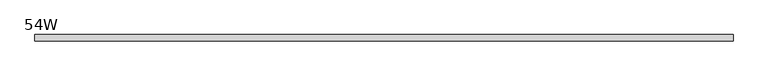
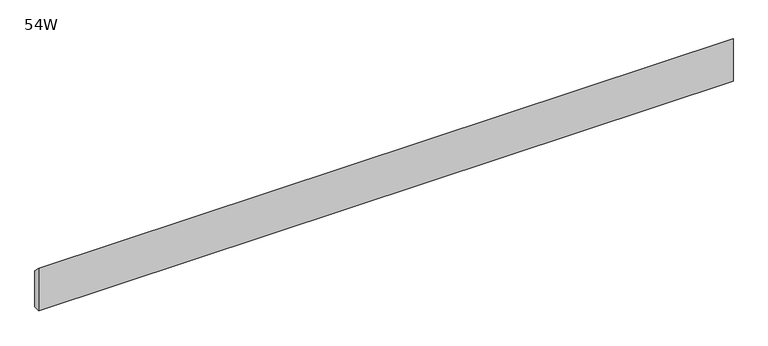
"""IFC4 building model written with IfcOpenShell, lengths in millimetres: furniture geometry, 54W."""

from ifc_helpers import new_model, si_unit, frame, origin, place, context, project, spatial, polyline, outline, extrude, source, transform, mapped, element, save


def furniture_54w_80d9bc4b(model_context):
    return source(origin(), model_context, "Body", "SweptSolid", [
        extrude(outline(polyline([(-11.938, 904.748), (-11.938, 987.298), (0.0, 974.598), (0.0, 904.748), (-11.938, 904.748)])), frame((48.006, 0.0, 0.0), z_axis=(1.0, 0.0, 0.0), x_axis=(0.0, 1.0, 0.0)), (0.0, 0.0, 1.0), 1275.588),
    ])


if __name__ == "__main__":
    model = new_model("IFC4")
    model_context = context("Model", 3, world=origin())
    ifc_project = project(units=[si_unit("LENGTHUNIT", "METRE", prefix="MILLI")], contexts=[model_context])
    site = spatial("IfcSite", under=ifc_project)
    building = spatial("IfcBuilding", under=site)
    placement = place(None, origin())
    furniture_54w_shape = furniture_54w_80d9bc4b(model_context)
    element("IfcFurniture", 1, ObjectType="54W", at=placement, inside=building, context=model_context, shape_type="MappedRepresentation", body=[
        mapped(furniture_54w_shape, transform((0.0, 0.0, 0.0), x_axis=(1.0, 0.0, 0.0), y_axis=(0.0, 1.0, 0.0), z_axis=(0.0, 0.0, 1.0))),
    ])
    save(model, "model.ifc")
